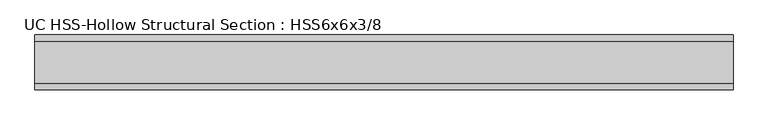
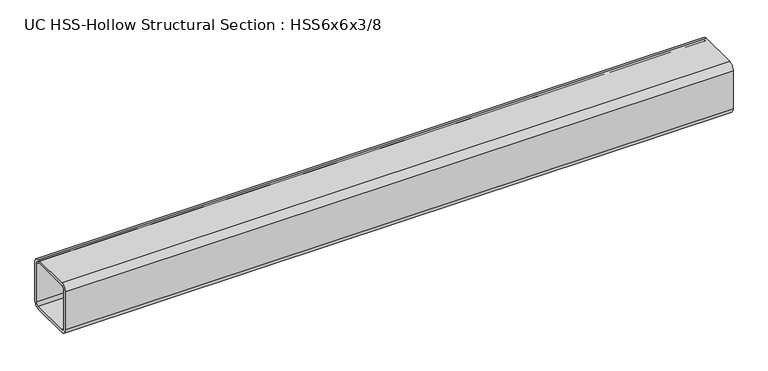
"""IFC4 building model written with IfcOpenShell, lengths in millimetres: beam geometry, UC HSS-Hollow Structural Section : HSS6x6x3/8."""

from ifc_helpers import new_model, si_unit, point, frame, frame_2d, origin, place, context, project, spatial, polyline, circle_curve, trimmed, segment, composite_curve, outline, extrude, source, transform, mapped, element, save


def uc_hss_hollow_structural_section_hss6x6x3_8_563c0f3e(model_context):
    return source(origin(), model_context, "Body", "SweptSolid", [
        extrude(outline(composite_curve([segment(polyline([(76.2, 58.4708), (76.2, -58.4708)]), True, "CONTINUOUS"), segment(trimmed(circle_curve(frame_2d((58.4708, -58.4708)), 17.7292), [point((76.2, -58.4708))], [point((58.4708, -76.2))], False, "CARTESIAN"), True, "CONTINUOUS"), segment(polyline([(58.4708, -76.2), (-58.4708, -76.2)]), True, "CONTINUOUS"), segment(trimmed(circle_curve(frame_2d((-58.4708, -58.4708)), 17.7292), [point((-58.4708, -76.2))], [point((-76.2, -58.4708))], False, "CARTESIAN"), True, "CONTINUOUS"), segment(polyline([(-76.2, -58.4708), (-76.2, 58.4708)]), True, "CONTINUOUS"), segment(trimmed(circle_curve(frame_2d((-58.4708, 58.4708)), 17.7292), [point((-76.2, 58.4708))], [point((-58.4708, 76.2))], False, "CARTESIAN"), True, "CONTINUOUS"), segment(polyline([(-58.4708, 76.2), (58.4708, 76.2)]), True, "CONTINUOUS"), segment(trimmed(circle_curve(frame_2d((58.4708, 58.4708)), 17.7292), [point((58.4708, 76.2))], [point((76.2, 58.4708))], False, "CARTESIAN"), True, "CONTINUOUS")], self_intersect=False), holes=[composite_curve([segment(trimmed(circle_curve(frame_2d((-58.4708, 58.4708)), 8.8646), [point((-58.4708, 67.3354))], [point((-67.3354, 58.4708))], True, "CARTESIAN"), True, "CONTINUOUS"), segment(polyline([(-67.3354, 58.4708), (-67.3354, -58.4708)]), True, "CONTINUOUS"), segment(trimmed(circle_curve(frame_2d((-58.4708, -58.4708)), 8.8646), [point((-67.3354, -58.4708))], [point((-58.4708, -67.3354))], True, "CARTESIAN"), True, "CONTINUOUS"), segment(polyline([(-58.4708, -67.3354), (58.4708, -67.3354)]), True, "CONTINUOUS"), segment(trimmed(circle_curve(frame_2d((58.4708, -58.4708)), 8.8646), [point((58.4708, -67.3354))], [point((67.3354, -58.4708))], True, "CARTESIAN"), True, "CONTINUOUS"), segment(polyline([(67.3354, -58.4708), (67.3354, 58.4708)]), True, "CONTINUOUS"), segment(trimmed(circle_curve(frame_2d((58.4708, 58.4708)), 8.8646), [point((67.3354, 58.4708))], [point((58.4708, 67.3354))], True, "CARTESIAN"), True, "CONTINUOUS"), segment(polyline([(58.4708, 67.3354), (-58.4708, 67.3354)]), True, "CONTINUOUS")], self_intersect=False)]), frame((-901.5660642, 0.0, 0.0), z_axis=(1.0, 0.0, 0.0), x_axis=(0.0, 1.0, 0.0)), (0.0, 0.0, 1.0), 1941.3872329),
    ])


if __name__ == "__main__":
    model = new_model("IFC4")
    model_context = context("Model", 3, world=origin())
    ifc_project = project(units=[si_unit("LENGTHUNIT", "METRE", prefix="MILLI")], contexts=[model_context])
    site = spatial("IfcSite", under=ifc_project)
    building = spatial("IfcBuilding", under=site)
    placement = place(None, origin())
    uc_hss_hollow_structural_section_hss6x6x3_8_shape = uc_hss_hollow_structural_section_hss6x6x3_8_563c0f3e(model_context)
    element("IfcBeam", 1, ObjectType="UC HSS-Hollow Structural Section : HSS6x6x3/8", at=placement, inside=building, context=model_context, shape_type="MappedRepresentation", body=[
        mapped(uc_hss_hollow_structural_section_hss6x6x3_8_shape, transform((0.0, 0.0, 0.0), x_axis=(1.0, 0.0, 0.0), y_axis=(0.0, 1.0, 0.0), z_axis=(0.0, 0.0, 1.0))),
    ])
    save(model, "model.ifc")
